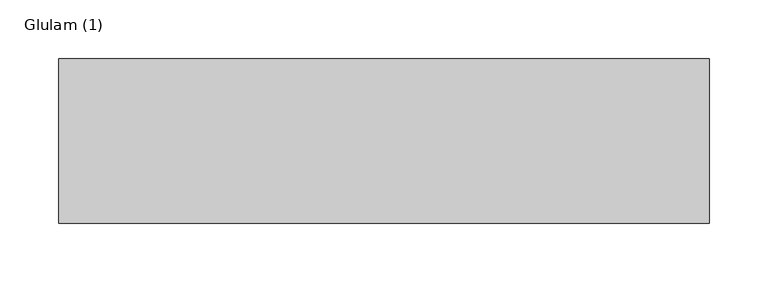
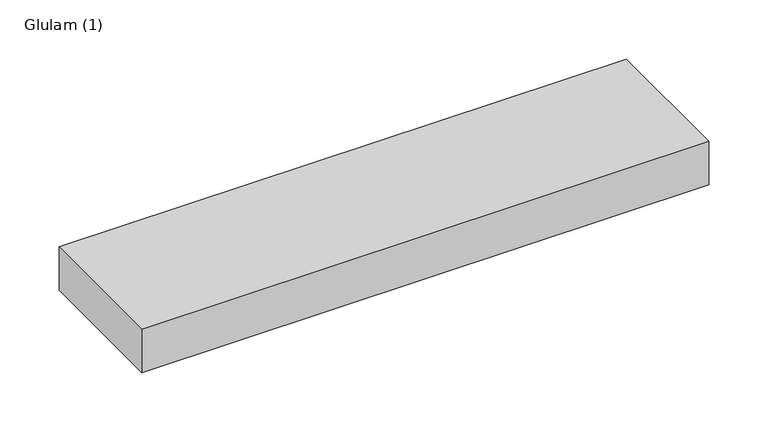
"""IFC4 building model written with IfcOpenShell, lengths in millimetres: beam geometry, Glulam (1)."""

from ifc_helpers import new_model, si_unit, frame, origin, place, context, project, spatial, polyline, outline, extrude, source, transform, mapped, element, save


def glulam_1_bea15277(model_context):
    return source(origin(), model_context, "Body", "SweptSolid", [
        extrude(outline(polyline([(288.0, 70.0), (288.0, -70.0), (-266.0, -70.0), (-266.0, 70.0), (288.0, 70.0)])), frame((0.0, 0.0, -22.5), z_axis=(0.0, 0.0, 1.0), x_axis=(1.0, 0.0, 0.0)), (0.0, 0.0, 1.0), 45.0),
    ])


if __name__ == "__main__":
    model = new_model("IFC4")
    model_context = context("Model", 3, world=origin())
    ifc_project = project(units=[si_unit("LENGTHUNIT", "METRE", prefix="MILLI")], contexts=[model_context])
    site = spatial("IfcSite", under=ifc_project)
    building = spatial("IfcBuilding", under=site)
    placement = place(None, origin())
    glulam_1_shape = glulam_1_bea15277(model_context)
    element("IfcBeam", 1, ObjectType="Glulam (1)", at=placement, inside=building, context=model_context, shape_type="MappedRepresentation", body=[
        mapped(glulam_1_shape, transform((0.0, 0.0, 0.0), x_axis=(1.0, 0.0, 0.0), y_axis=(0.0, 1.0, 0.0), z_axis=(0.0, 0.0, 1.0))),
    ])
    save(model, "model.ifc")
